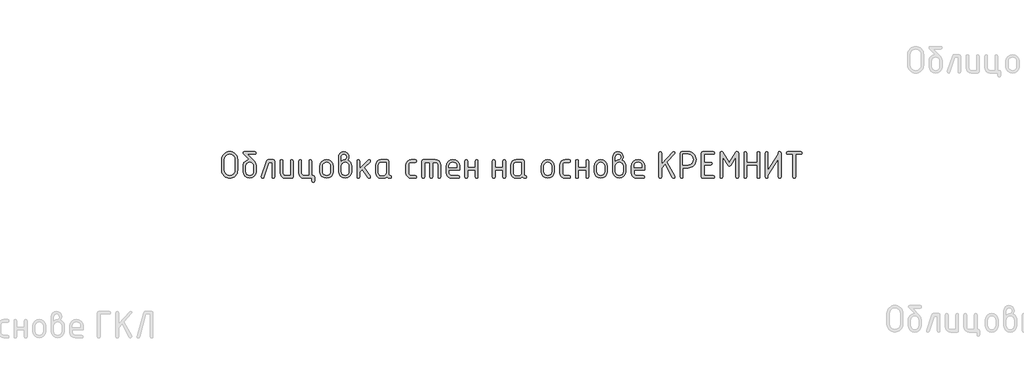
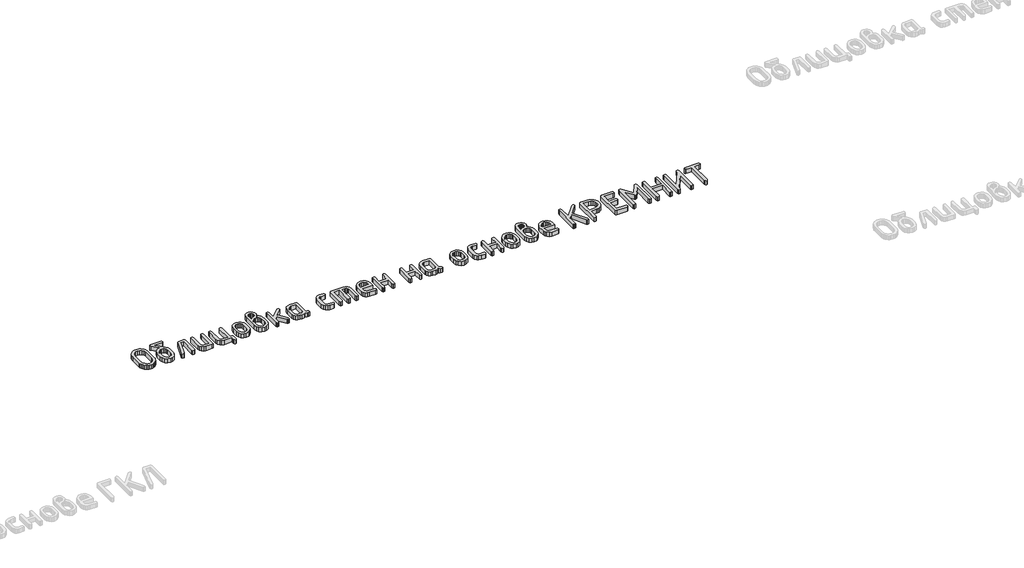
# One storey, part 9 of 33: 1 proxy.
"""IFC4 building model written with IfcOpenShell, lengths in millimetres."""

import ifcopenshell
import ifcopenshell.guid

model = None  # the IFC model being written
_history = None  # IfcOwnerHistory: only IFC2X3 demands one
_inside = {}  # id of a spatial element -> (the spatial element, [elements in it])
_under = {}  # id of a project, library or spatial element -> (it, [spatial elements below it])
_declared = {}  # id of a project -> (the project, [libraries it declares])
_typed = {}  # id of a type object -> (the type object, [elements of that type])
_made_of = {}  # id of a material, layer set ... -> (it, [elements and type objects made of it])


def new_model(schema):
    """Start an empty IFC model of exactly this schema.

    Asked for "IFC4X3", IfcOpenShell would pick the latest addendum, in which some entities
    have other attributes; the version numbers below select the first issue.
    IFC2X3 requires an IfcOwnerHistory on every rooted entity: one is made here for all.
    """
    global model, _history
    if schema == "IFC4X3":
        model = ifcopenshell.file(schema_version=(4, 3, 0, 0))
    else:
        model = ifcopenshell.file(schema=schema)
    _inside.clear()
    _under.clear()
    _declared.clear()
    _typed.clear()
    _made_of.clear()
    _history = None
    if model.schema == "IFC2X3":
        org = make("IfcOrganization", Name="unknown")
        user = make(
            "IfcPersonAndOrganization",
            ThePerson=make("IfcPerson", FamilyName="unknown"),
            TheOrganization=org,
        )
        app = make(
            "IfcApplication",
            ApplicationDeveloper=org,
            Version="unknown",
            ApplicationFullName="unknown",
            ApplicationIdentifier="unknown",
        )
        _history = make(
            "IfcOwnerHistory",
            OwningUser=user,
            OwningApplication=app,
            ChangeAction="ADDED",
            CreationDate=0,
        )
    return model


def make(cls, **values):
    """One entity of the class cls with the attributes given. An attribute that is None is left unset."""
    return model.create_entity(
        cls, **{name: value for name, value in values.items() if value is not None}
    )


def rooted(cls, **values):
    """An entity with a GlobalId (a new one), such as an element, a storey or a relation."""
    return make(cls, GlobalId=ifcopenshell.guid.new(), OwnerHistory=_history, **values)


def si_unit(unit_type, name, prefix=None):
    """IfcSIUnit, for example si_unit("LENGTHUNIT", "METRE", prefix="MILLI")."""
    return make("IfcSIUnit", UnitType=unit_type, Prefix=prefix, Name=name)


def assignment(units):
    """IfcUnitAssignment: the units of a project."""
    return None if units is None else make("IfcUnitAssignment", Units=units)


def point(xyz):
    """IfcCartesianPoint."""
    return None if xyz is None else make("IfcCartesianPoint", Coordinates=xyz)


def direction(xyz):
    """IfcDirection."""
    return None if xyz is None else make("IfcDirection", DirectionRatios=xyz)


def frame(location, z_axis=None, x_axis=None):
    """IfcAxis2Placement3D, a coordinate frame: its origin and axes. An axis left out is left unset."""
    return make(
        "IfcAxis2Placement3D",
        Location=point(location),
        Axis=direction(z_axis),
        RefDirection=direction(x_axis),
    )


def origin():
    """The frame at (0, 0, 0) with its axes left unset."""
    return frame((0.0, 0.0, 0.0))


def origin_with_axes():
    """The frame at (0, 0, 0) with the z axis (0, 0, 1) and the x axis (1, 0, 0) written out."""
    return frame((0.0, 0.0, 0.0), z_axis=(0.0, 0.0, 1.0), x_axis=(1.0, 0.0, 0.0))


def place(relative_to, where):
    """IfcLocalPlacement: puts the frame where relative to a parent placement (None: the world)."""
    return make(
        "IfcLocalPlacement", PlacementRelTo=relative_to, RelativePlacement=where
    )


def context(
    kind, dimensions, precision=None, world=None, true_north=None, identifier=None
):
    """IfcGeometricRepresentationContext, for example the 3D "Model" context."""
    return make(
        "IfcGeometricRepresentationContext",
        ContextIdentifier=identifier,
        ContextType=kind,
        CoordinateSpaceDimension=dimensions,
        Precision=precision,
        WorldCoordinateSystem=world,
        TrueNorth=true_north,
    )


def project(units=None, contexts=None):
    """IfcProject with its units and contexts."""
    return rooted(
        "IfcProject",
        Name="project",
        RepresentationContexts=contexts,
        UnitsInContext=assignment(units),
    )


def spatial(cls, under=None, at=None, **own):
    """A site, building, storey or space (cls), placed at a placement, below another one or the project."""
    s = rooted(cls, ObjectPlacement=at, **own)
    if under is not None:
        _under.setdefault(under.id(), (under, []))[1].append(s)
    return s


def polyline(points):
    """IfcPolyline through the points."""
    return make("IfcPolyline", Points=[point(p) for p in points])


def outline(outer, holes=None, kind="AREA"):
    """IfcArbitraryClosedProfileDef: a profile drawn as a closed curve; with holes, ...WithVoids."""
    if holes is None:
        return make("IfcArbitraryClosedProfileDef", ProfileType=kind, OuterCurve=outer)
    return make(
        "IfcArbitraryProfileDefWithVoids",
        ProfileType=kind,
        OuterCurve=outer,
        InnerCurves=holes,
    )


def extrude(swept, where, along, depth):
    """IfcExtrudedAreaSolid: the profile swept, set in the frame where, extruded along a direction by depth."""
    return make(
        "IfcExtrudedAreaSolid",
        SweptArea=swept,
        Position=where,
        ExtrudedDirection=direction(along),
        Depth=depth,
    )


def shape(context_of_items, identifier, shape_type, items):
    """IfcShapeRepresentation: the items that make up one representation, for example the "Body"."""
    return make(
        "IfcShapeRepresentation",
        ContextOfItems=context_of_items,
        RepresentationIdentifier=identifier,
        RepresentationType=shape_type,
        Items=items,
    )


def made_of(thing, what):
    """Note that an element or type object is made of a material, layer set ...; save() writes the relation."""
    if what is not None:
        _made_of.setdefault(what.id(), (what, []))[1].append(thing)
    return thing


def element(
    cls,
    number,
    at=None,
    inside=None,
    cuts=None,
    type_object=None,
    material=None,
    context=None,
    identifier="Body",
    shape_type=None,
    held_by="IfcProductDefinitionShape",
    body=None,
    shapes=None,
    **own,
):
    """One element of the class cls, such as IfcWall. Its Tag is "e" and its number.

    at: its placement. inside: the storey or other place that contains it. cuts: it is an
    opening in that element (IfcRelVoidsElement). A single representation is given by context,
    identifier, shape_type and body (its items); several are given by shapes. held_by: the class
    of the entity that holds the representations. save() writes the other relations.
    """
    e = rooted(cls, Tag="e%d" % number, ObjectPlacement=at, **own)
    if body is not None:
        shapes = [shape(context, identifier, shape_type, body)]
    if shapes is not None:
        e.Representation = make(held_by, Representations=shapes)
    if inside is not None:
        _inside.setdefault(inside.id(), (inside, []))[1].append(e)
    if cuts is not None:
        rooted(
            "IfcRelVoidsElement", RelatingBuildingElement=cuts, RelatedOpeningElement=e
        )
    if type_object is not None:
        _typed.setdefault(type_object.id(), (type_object, []))[1].append(e)
    return made_of(e, material)


def aggregate(whole, parts):
    """IfcRelAggregates: a whole, such as a stair, and the parts it consists of."""
    return rooted("IfcRelAggregates", RelatingObject=whole, RelatedObjects=parts)


def save(model, path):
    """Write the relations noted so far, then the file.

    IfcRelAggregates (storeys below a building ...), IfcRelContainedInSpatialStructure (elements
    in a storey), IfcRelDefinesByType, IfcRelAssociatesMaterial and IfcRelDeclares: one each for
    every whole, place, type object, material and project.
    """
    for whole, parts in _under.values():
        aggregate(whole, parts)
    for where, things in _inside.values():
        rooted(
            "IfcRelContainedInSpatialStructure",
            RelatedElements=things,
            RelatingStructure=where,
        )
    for kind, things in _typed.values():
        rooted("IfcRelDefinesByType", RelatedObjects=things, RelatingType=kind)
    for what, things in _made_of.values():
        rooted("IfcRelAssociatesMaterial", RelatedObjects=things, RelatingMaterial=what)
    for by, libraries in _declared.values():
        rooted("IfcRelDeclares", RelatingContext=by, RelatedDefinitions=libraries)
    model.write(path)


model = new_model("IFC4")

# Units and contexts
model_context = context("Model", 3, world=origin())
ifc_project = project(units=[si_unit("LENGTHUNIT", "METRE", prefix="MILLI")], contexts=[model_context])

# Site, building, storey
site = spatial("IfcSite", under=ifc_project)
building = spatial("IfcBuilding", under=site)
storey = spatial("IfcBuildingStorey", under=building, Elevation=0.0)

# Proxy
placement = place(None, origin())
element("IfcBuildingElementProxy", 1, Name="Generic Models", at=placement, inside=storey, context=model_context, shape_type="SweptSolid", body=[
    extrude(outline(polyline([(-175.6027331, -10815.9222253), (-177.2571289, -10834.1558868), (-182.2203164, -10851.0075224), (-190.4922957, -10866.4771323), (-202.0730665, -10880.5647165), (-215.9942023, -10892.2867163), (-231.2872761, -10900.6595733), (-247.9522878, -10905.6832875), (-265.9892376, -10907.3578589), (-284.0261874, -10905.6832875), (-300.6911992, -10900.6595733), (-315.9842729, -10892.2867163), (-329.9054087, -10880.5647165), (-341.4861796, -10866.4771323), (-349.7581588, -10851.0075224), (-354.7213463, -10834.1558868), (-356.3757422, -10815.9222253), (-356.3757422, -10694.0618486), (-354.7213463, -10675.8281871), (-349.7581588, -10658.9765514), (-341.4861796, -10643.5069415), (-329.9054087, -10629.4193574), (-315.9842729, -10617.6973576), (-300.6911992, -10609.3245006), (-284.0261874, -10604.3007864), (-265.9892376, -10602.626215), (-247.853932, -10604.2932206), (-231.1359594, -10609.2942373), (-215.8353198, -10617.6292651), (-201.9520132, -10629.2983041), (-190.4242031, -10643.348059), (-182.1900531, -10658.8252347), (-177.2495631, -10675.7298313), (-175.6027331, -10694.0618486), (-175.6027331, -10815.9222253)]), holes=[polyline([(-206.5923918, -10815.6801186), (-206.5923918, -10694.3039553), (-210.8998736, -10670.7792535), (-223.8223192, -10651.2089612), (-242.9790125, -10638.0141456), (-265.9892376, -10633.6158737), (-288.9994627, -10638.0141456), (-308.156156, -10651.2089612), (-321.0786016, -10670.7792535), (-325.3860835, -10694.3039553), (-325.3860835, -10815.6801186), (-321.0786016, -10839.2048204), (-308.156156, -10858.7751127), (-288.9994627, -10871.9699283), (-265.9892376, -10876.3682002), (-242.9790125, -10871.9699283), (-223.8223192, -10858.7751127), (-210.8998736, -10839.2048204), (-206.5923918, -10815.6801186)])]), origin_with_axes(), (0.0, 0.0, 1.0), 50.0),
    extrude(outline(polyline([(36.1599347, -10770.4868663), (36.1599347, -10831.3363524), (30.6822704, -10860.5606497), (14.2492776, -10885.1243928), (-9.9513055, -10901.7994924), (-38.7317405, -10907.3578589), (-67.5121755, -10901.7894046), (-91.7127586, -10885.0840417), (-108.1457514, -10860.4698596), (-113.6234157, -10831.1749479), (-113.6234157, -10770.2447596), (-111.0308563, -10748.813272), (-103.2531783, -10730.4383816), (-90.2903816, -10715.1200884), (-72.1424663, -10702.8583924), (-56.4257058, -10696.2609845), (-41.8791277, -10694.0618486), (-108.4584726, -10627.0789926), (-113.6234157, -10618.1210443), (-109.8909373, -10606.4999223), (-98.693502, -10602.626215), (21.230021, -10602.626215), (32.4274563, -10606.4999223), (36.1599347, -10618.1210443), (32.4274563, -10629.7421664), (21.230021, -10633.6158737), (-63.7494337, -10633.6158737), (11.6264549, -10713.9953009), (30.0265648, -10741.2726568), (36.1599347, -10770.4868663)]), holes=[polyline([(5.170276, -10830.852139), (5.170276, -10770.2447596), (1.9522743, -10752.8130766), (-7.7017307, -10738.1252696), (-21.8952365, -10728.1383678), (-38.7317405, -10724.8094006), (-55.5682445, -10728.1383678), (-69.7617503, -10738.1252696), (-79.4157553, -10752.8130766), (-82.633757, -10770.2447596), (-82.633757, -10830.852139), (-79.4460186, -10848.4452264), (-69.8828037, -10863.1330334), (-55.7195612, -10873.0594085), (-38.7317405, -10876.3682002), (-21.8952365, -10873.0392329), (-7.7017307, -10863.0523312), (1.9522743, -10848.3443487), (5.170276, -10830.852139)])]), origin_with_axes(), (0.0, 0.0, 1.0), 50.0),
    extrude(outline(polyline([(171.4975848, -10695.5951911), (232.4277731, -10695.5951911), (244.0488951, -10699.3680206), (247.9226025, -10710.6865093), (247.9226025, -10892.2665407), (244.0488951, -10903.5850293), (232.4277731, -10907.3578589), (220.8066511, -10903.5850293), (216.9329438, -10892.2665407), (216.9329438, -10726.5848498), (182.3116845, -10726.5848498), (125.1745012, -10897.1086749), (119.8683292, -10904.7955629), (110.8902054, -10907.3578589), (99.5111901, -10903.5245026), (95.718185, -10892.024434), (96.4445051, -10887.4244065), (156.3255644, -10707.9426332), (162.2168276, -10698.6820516), (171.4975848, -10695.5951911)])), origin_with_axes(), (0.0, 0.0, 1.0), 50.0),
    extrude(outline(polyline([(459.6852703, -10710.6865093), (459.6852703, -10892.2665407), (455.9326163, -10903.5850293), (444.6746543, -10907.3578589), (369.7829791, -10907.3578589), (346.5609107, -10902.9797626), (327.2529007, -10889.8454736), (314.2396651, -10870.335708), (309.9019199, -10846.8311817), (309.9019199, -10710.6865093), (313.7756272, -10699.3680206), (325.3967492, -10695.5951911), (337.0178712, -10699.3680206), (340.8915786, -10710.6865093), (340.8915786, -10846.2662661), (343.0503634, -10857.6957203), (349.5267178, -10867.4506031), (359.0092306, -10874.1388009), (370.1864903, -10876.3682002), (428.6956116, -10876.3682002), (428.6956116, -10710.6865093), (432.5693189, -10699.3680206), (444.1904409, -10695.5951911), (455.8115629, -10699.3680206), (459.6852703, -10710.6865093)])), origin_with_axes(), (0.0, 0.0, 1.0), 50.0),
    extrude(outline(polyline([(686.9427674, -10876.3682002), (698.5638894, -10880.2419075), (702.4375967, -10891.8630295), (702.4375967, -10938.3475176), (698.5638894, -10949.9686396), (686.9427674, -10953.8423469), (675.3216454, -10949.9686396), (671.447938, -10938.3475176), (671.447938, -10907.3578589), (581.5456469, -10907.3578589), (558.3235784, -10902.9494992), (539.0155684, -10889.7244203), (526.0023328, -10870.1843913), (521.6645877, -10846.8311817), (521.6645877, -10710.6865093), (525.538295, -10699.3680206), (537.159417, -10695.5951911), (548.780539, -10699.3680206), (552.6542464, -10710.6865093), (552.6542464, -10846.2662661), (554.8130312, -10857.6957203), (561.2893856, -10867.4506031), (570.7718984, -10874.1388009), (581.9491581, -10876.3682002), (640.4582793, -10876.3682002), (640.4582793, -10710.6865093), (644.3319867, -10699.3680206), (655.9531087, -10695.5951911), (667.5742307, -10699.3680206), (671.447938, -10710.6865093), (671.447938, -10876.3682002), (686.9427674, -10876.3682002)])), origin_with_axes(), (0.0, 0.0, 1.0), 50.0),
    extrude(outline(polyline([(764.4169141, -10831.7398636), (764.4169141, -10771.2131864), (769.8945784, -10742.1402058), (786.3275713, -10717.7076038), (810.5281543, -10701.1232943), (839.3085893, -10695.5951911), (868.3916577, -10701.0627676), (892.5317141, -10717.4654971), (908.7831269, -10741.8375724), (914.2002645, -10771.2131864), (914.2002645, -10831.7398636), (908.7226002, -10860.8128441), (892.2896074, -10885.2454462), (868.0890243, -10901.8297557), (839.3085893, -10907.3578589), (810.5281543, -10901.8297557), (786.3275713, -10885.2454462), (769.8945784, -10860.8128441), (764.4169141, -10831.7398636)]), holes=[polyline([(883.2106058, -10830.852139), (883.2106058, -10770.2447596), (879.9926041, -10752.8130766), (870.3385991, -10738.1252696), (856.1450933, -10728.1383678), (839.3085893, -10724.8094006), (822.4720853, -10728.1383678), (808.2785795, -10738.1252696), (798.6245745, -10752.8130766), (795.4065728, -10770.2447596), (795.4065728, -10830.852139), (798.5943112, -10848.4452264), (808.1575261, -10863.1330334), (822.3207686, -10873.0594085), (839.3085893, -10876.3682002), (856.1450933, -10873.0392329), (870.3385991, -10863.0523312), (879.9926041, -10848.3443487), (883.2106058, -10830.852139)])]), origin_with_axes(), (0.0, 0.0, 1.0), 50.0),
    extrude(outline(polyline([(1081.0117867, -10700.2759208), (1099.5430377, -10711.6650239), (1113.8172457, -10728.2392456), (1122.9265106, -10748.3240147), (1125.9629323, -10770.2447596), (1125.9629323, -10831.1749479), (1120.485268, -10860.6211763), (1104.0522752, -10885.205095), (1079.8516921, -10901.8196679), (1051.0712571, -10907.3578589), (1022.1395054, -10901.7894046), (997.9691857, -10885.0840417), (981.6269828, -10860.4698596), (976.1795819, -10831.1749479), (976.1795819, -10663.5564033), (980.5072393, -10639.9509992), (993.4902116, -10620.3000047), (1012.6670804, -10607.0446624), (1035.5764277, -10602.626215), (1058.5866528, -10607.0749258), (1077.7433462, -10620.4210581), (1090.6657917, -10640.1023159), (1094.9732736, -10663.5564033), (1091.4829019, -10684.2767025), (1081.0117867, -10700.2759208)]), holes=[polyline([(1094.9732736, -10830.852139), (1094.9732736, -10770.2447596), (1091.7855353, -10752.8130766), (1082.2223203, -10738.1252696), (1068.0590778, -10728.1383678), (1051.0712571, -10724.8094006), (1034.0834364, -10728.1383678), (1019.9201939, -10738.1252696), (1010.3569789, -10752.8130766), (1007.1692406, -10770.2447596), (1007.1692406, -10830.852139), (1010.3569789, -10848.4452264), (1019.9201939, -10863.1330334), (1034.0834364, -10873.0594085), (1051.0712571, -10876.3682002), (1068.0590778, -10873.0392329), (1082.2223203, -10863.0523312), (1091.7855353, -10848.3443487), (1094.9732736, -10830.852139)]), polyline([(1007.1692406, -10710.3637003), (1025.6500527, -10699.0452117), (1042.5168201, -10695.2723821), (1051.5958216, -10692.6293839), (1059.9485031, -10684.7003892), (1065.8195908, -10674.8345408), (1067.77662, -10664.9283413), (1065.5976596, -10653.1256393), (1059.0607785, -10643.3808443), (1049.2958079, -10636.8439631), (1037.4325792, -10634.6650028), (1025.7811938, -10636.8742265), (1016.0061355, -10643.5018976), (1009.3784643, -10653.276956), (1007.1692406, -10664.9283413), (1007.1692406, -10710.3637003)])]), origin_with_axes(), (0.0, 0.0, 1.0), 50.0),
    extrude(outline(polyline([(1218.9319084, -10795.0203461), (1314.1605471, -10699.9531118), (1324.9746467, -10695.5951911), (1336.353662, -10699.3680206), (1340.1466671, -10710.6865093), (1335.5466397, -10721.2585022), (1268.9672948, -10787.7571448), (1337.1606844, -10883.5506992), (1340.1466671, -10892.4279452), (1336.353662, -10903.6253804), (1324.9746467, -10907.3578589), (1317.8324988, -10905.7438141), (1312.3850979, -10900.90168), (1247.177691, -10809.3046419), (1218.9319084, -10837.5504246), (1218.9319084, -10892.1858385), (1215.058201, -10903.5648538), (1203.437079, -10907.3578589), (1191.815957, -10903.5850293), (1187.9422497, -10892.2665407), (1187.9422497, -10710.6865093), (1191.815957, -10699.3680206), (1203.437079, -10695.5951911), (1215.058201, -10699.3680206), (1218.9319084, -10710.6865093), (1218.9319084, -10795.0203461)])), origin_with_axes(), (0.0, 0.0, 1.0), 50.0),
    extrude(outline(polyline([(1579.7516064, -10892.2665407), (1575.9787769, -10903.5850293), (1564.6602882, -10907.3578589), (1545.5136827, -10903.3429226), (1530.2004334, -10891.2981139), (1511.780148, -10903.3429226), (1489.6072086, -10907.3578589), (1459.5859767, -10907.3578589), (1436.3639082, -10902.9797626), (1417.0558982, -10889.8454736), (1404.0426627, -10870.335708), (1399.7049175, -10846.8311817), (1399.7049175, -10756.1218682), (1404.0426627, -10732.6173419), (1417.0558982, -10713.1075763), (1436.3639082, -10699.9732874), (1459.5859767, -10695.5951911), (1534.4776519, -10695.5951911), (1545.7356139, -10699.3680206), (1549.4882678, -10710.6865093), (1549.4882678, -10862.0032021), (1553.2711852, -10873.3216908), (1564.6199371, -10877.0945203), (1575.9686891, -10880.8875254), (1579.7516064, -10892.2665407)]), holes=[polyline([(1518.4986091, -10726.5848498), (1459.9894879, -10726.5848498), (1448.7113504, -10728.7738979), (1439.2490132, -10735.3410424), (1432.8331854, -10745.015223), (1430.6945762, -10756.5253794), (1430.6945762, -10846.4276705), (1432.853361, -10857.8369492), (1439.3297154, -10867.5313053), (1448.8122282, -10874.1589765), (1459.9894879, -10876.3682002), (1489.2036974, -10876.3682002), (1500.4818349, -10874.179152), (1509.9441721, -10867.6120075), (1516.3599999, -10857.937827), (1518.4986091, -10846.4276705), (1518.4986091, -10726.5848498)])]), origin_with_axes(), (0.0, 0.0, 1.0), 50.0),
    extrude(outline(polyline([(1776.745765, -10756.5253794), (1776.745765, -10846.4276705), (1778.985252, -10857.8369492), (1785.7037132, -10867.5313053), (1795.5090349, -10874.1589765), (1807.0091035, -10876.3682002), (1852.5251647, -10876.3682002), (1863.8436534, -10880.2419075), (1867.6164829, -10891.8630295), (1863.8436534, -10903.4841515), (1852.5251647, -10907.3578589), (1807.0091035, -10907.3578589), (1783.4642261, -10902.9797626), (1763.6720027, -10889.8454736), (1750.2350804, -10870.335708), (1745.7561063, -10846.8311817), (1745.7561063, -10756.1218682), (1750.2350804, -10732.6173419), (1763.6720027, -10713.1075763), (1783.4642261, -10699.9732874), (1807.0091035, -10695.5951911), (1852.5251647, -10695.5951911), (1863.8436534, -10699.4688984), (1867.6164829, -10711.0900204), (1863.8436534, -10722.7111425), (1852.5251647, -10726.5848498), (1807.0091035, -10726.5848498), (1795.3577182, -10728.7738979), (1785.5826598, -10735.3410424), (1778.9549887, -10745.015223), (1776.745765, -10756.5253794)])), origin_with_axes(), (0.0, 0.0, 1.0), 50.0),
    extrude(outline(polyline([(1942.0239447, -10695.5951911), (2081.4774088, -10695.5951911), (2105.3652707, -10700.0035507), (2125.3794253, -10713.2286297), (2138.937401, -10732.7686586), (2143.4567262, -10756.1218682), (2143.4567262, -10892.2665407), (2139.5830189, -10903.5850293), (2127.9618969, -10907.3578589), (2116.3407749, -10903.5850293), (2112.4670675, -10892.2665407), (2112.4670675, -10756.6867839), (2110.2376683, -10744.9546963), (2103.5494704, -10735.2603402), (2093.5726565, -10728.7537224), (2081.4774088, -10726.5848498), (2050.4877501, -10726.5848498), (2050.4877501, -10892.2665407), (2046.6140428, -10903.5850293), (2034.9929208, -10907.3578589), (2023.3717988, -10903.5850293), (2019.4980914, -10892.2665407), (2019.4980914, -10726.5848498), (1957.518774, -10726.5848498), (1957.518774, -10892.2665407), (1953.6450667, -10903.5850293), (1942.0239447, -10907.3578589), (1930.4028227, -10903.5850293), (1926.5291153, -10892.2665407), (1926.5291153, -10710.6865093), (1930.4028227, -10699.3680206), (1942.0239447, -10695.5951911)])), origin_with_axes(), (0.0, 0.0, 1.0), 50.0),
    extrude(outline(polyline([(2236.4257023, -10814.3888828), (2236.4257023, -10845.3785415), (2238.6651894, -10857.1711557), (2245.3836505, -10867.2084964), (2255.1889722, -10874.0782742), (2266.6890409, -10876.3682002), (2342.4684407, -10876.3682002), (2353.847456, -10880.2419075), (2357.6404611, -10891.8630295), (2353.847456, -10903.4841515), (2342.4684407, -10907.3578589), (2266.6890409, -10907.3578589), (2243.1441635, -10902.9797626), (2223.3519401, -10889.8454736), (2209.9150177, -10870.335708), (2205.4360436, -10846.8311817), (2205.4360436, -10771.2131864), (2211.0549368, -10742.1402058), (2227.9116164, -10717.7076038), (2252.636764, -10701.1232943), (2281.8610613, -10695.5951911), (2311.3072897, -10700.9618898), (2335.729804, -10717.0619859), (2352.1627968, -10740.990199), (2357.6404611, -10769.8412484), (2357.6404611, -10814.3888828), (2236.4257023, -10814.3888828)]), holes=[polyline([(2281.8610613, -10722.7918447), (2264.4293783, -10726.1208119), (2249.7415713, -10736.1077137), (2239.7546696, -10750.7955207), (2236.4257023, -10768.2272037), (2236.4257023, -10783.3992241), (2327.2964203, -10783.3992241), (2327.2964203, -10768.2272037), (2323.967453, -10750.7955207), (2313.9805513, -10736.1077137), (2299.2927443, -10726.1208119), (2281.8610613, -10722.7918447)])]), origin_with_axes(), (0.0, 0.0, 1.0), 50.0),
    extrude(outline(polyline([(2448.1883701, -10814.3888828), (2448.1883701, -10891.8630295), (2444.3146628, -10903.4841515), (2432.6935408, -10907.3578589), (2421.0724187, -10903.5850293), (2417.1987114, -10892.2665407), (2417.1987114, -10710.6865093), (2421.0724187, -10699.3680206), (2432.6935408, -10695.5951911), (2444.3146628, -10699.2469673), (2448.1883701, -10710.2022958), (2448.1883701, -10783.3992241), (2535.9924031, -10783.3992241), (2535.9924031, -10710.2022958), (2539.8661104, -10699.2469673), (2551.4872324, -10695.5951911), (2563.1083544, -10699.3680206), (2566.9820618, -10710.6865093), (2566.9820618, -10892.2665407), (2563.1083544, -10903.5850293), (2551.4872324, -10907.3578589), (2539.8661104, -10903.4841515), (2535.9924031, -10891.8630295), (2535.9924031, -10814.3888828), (2448.1883701, -10814.3888828)])), origin_with_axes(), (0.0, 0.0, 1.0), 50.0),
    extrude(outline(polyline([(2763.2499002, -10814.3888828), (2763.2499002, -10891.8630295), (2759.3761929, -10903.4841515), (2747.7550709, -10907.3578589), (2736.1339489, -10903.5850293), (2732.2602415, -10892.2665407), (2732.2602415, -10710.6865093), (2736.1339489, -10699.3680206), (2747.7550709, -10695.5951911), (2759.3761929, -10699.2469673), (2763.2499002, -10710.2022958), (2763.2499002, -10783.3992241), (2851.0539332, -10783.3992241), (2851.0539332, -10710.2022958), (2854.9276405, -10699.2469673), (2866.5487625, -10695.5951911), (2878.1698846, -10699.3680206), (2882.0435919, -10710.6865093), (2882.0435919, -10892.2665407), (2878.1698846, -10903.5850293), (2866.5487625, -10907.3578589), (2854.9276405, -10903.4841515), (2851.0539332, -10891.8630295), (2851.0539332, -10814.3888828), (2763.2499002, -10814.3888828)])), origin_with_axes(), (0.0, 0.0, 1.0), 50.0),
    extrude(outline(polyline([(3124.0695982, -10892.2665407), (3120.2967687, -10903.5850293), (3108.9782801, -10907.3578589), (3089.8316745, -10903.3429226), (3074.5184252, -10891.2981139), (3056.0981398, -10903.3429226), (3033.9252004, -10907.3578589), (3003.9039685, -10907.3578589), (2980.6819001, -10902.9797626), (2961.3738901, -10889.8454736), (2948.3606545, -10870.335708), (2944.0229093, -10846.8311817), (2944.0229093, -10756.1218682), (2948.3606545, -10732.6173419), (2961.3738901, -10713.1075763), (2980.6819001, -10699.9732874), (3003.9039685, -10695.5951911), (3078.7956437, -10695.5951911), (3090.0536057, -10699.3680206), (3093.8062597, -10710.6865093), (3093.8062597, -10862.0032021), (3097.589177, -10873.3216908), (3108.937929, -10877.0945203), (3120.2866809, -10880.8875254), (3124.0695982, -10892.2665407)]), holes=[polyline([(3062.816601, -10726.5848498), (3004.3074797, -10726.5848498), (2993.0293422, -10728.7738979), (2983.567005, -10735.3410424), (2977.1511772, -10745.015223), (2975.012568, -10756.5253794), (2975.012568, -10846.4276705), (2977.1713528, -10857.8369492), (2983.6477073, -10867.5313053), (2993.13022, -10874.1589765), (3004.3074797, -10876.3682002), (3033.5216892, -10876.3682002), (3044.7998267, -10874.179152), (3054.2621639, -10867.6120075), (3060.6779917, -10857.937827), (3062.816601, -10846.4276705), (3062.816601, -10726.5848498)])]), origin_with_axes(), (0.0, 0.0, 1.0), 50.0),
    extrude(outline(polyline([(3290.0740981, -10831.7398636), (3290.0740981, -10771.2131864), (3295.5517624, -10742.1402058), (3311.9847552, -10717.7076038), (3336.1853383, -10701.1232943), (3364.9657733, -10695.5951911), (3394.0488417, -10701.0627676), (3418.1888981, -10717.4654971), (3434.4403109, -10741.8375724), (3439.8574485, -10771.2131864), (3439.8574485, -10831.7398636), (3434.3797842, -10860.8128441), (3417.9467913, -10885.2454462), (3393.7462083, -10901.8297557), (3364.9657733, -10907.3578589), (3336.1853383, -10901.8297557), (3311.9847552, -10885.2454462), (3295.5517624, -10860.8128441), (3290.0740981, -10831.7398636)]), holes=[polyline([(3408.8677898, -10830.852139), (3408.8677898, -10770.2447596), (3405.6497881, -10752.8130766), (3395.9957831, -10738.1252696), (3381.8022773, -10728.1383678), (3364.9657733, -10724.8094006), (3348.1292693, -10728.1383678), (3333.9357635, -10738.1252696), (3324.2817585, -10752.8130766), (3321.0637568, -10770.2447596), (3321.0637568, -10830.852139), (3324.2514951, -10848.4452264), (3333.8147101, -10863.1330334), (3347.9779526, -10873.0594085), (3364.9657733, -10876.3682002), (3381.8022773, -10873.0392329), (3395.9957831, -10863.0523312), (3405.6497881, -10848.3443487), (3408.8677898, -10830.852139)])]), origin_with_axes(), (0.0, 0.0, 1.0), 50.0),
    extrude(outline(polyline([(3532.8264246, -10756.5253794), (3532.8264246, -10846.4276705), (3535.0659116, -10857.8369492), (3541.7843728, -10867.5313053), (3551.5896945, -10874.1589765), (3563.0897631, -10876.3682002), (3608.6058244, -10876.3682002), (3619.924313, -10880.2419075), (3623.6971425, -10891.8630295), (3619.924313, -10903.4841515), (3608.6058244, -10907.3578589), (3563.0897631, -10907.3578589), (3539.5448857, -10902.9797626), (3519.7526623, -10889.8454736), (3506.31574, -10870.335708), (3501.8367659, -10846.8311817), (3501.8367659, -10756.1218682), (3506.31574, -10732.6173419), (3519.7526623, -10713.1075763), (3539.5448857, -10699.9732874), (3563.0897631, -10695.5951911), (3608.6058244, -10695.5951911), (3619.924313, -10699.4688984), (3623.6971425, -10711.0900204), (3619.924313, -10722.7111425), (3608.6058244, -10726.5848498), (3563.0897631, -10726.5848498), (3551.4383778, -10728.7738979), (3541.6633194, -10735.3410424), (3535.0356483, -10745.015223), (3532.8264246, -10756.5253794)])), origin_with_axes(), (0.0, 0.0, 1.0), 50.0),
    extrude(outline(polyline([(3713.5994336, -10814.3888828), (3713.5994336, -10891.8630295), (3709.7257263, -10903.4841515), (3698.1046043, -10907.3578589), (3686.4834823, -10903.5850293), (3682.609775, -10892.2665407), (3682.609775, -10710.6865093), (3686.4834823, -10699.3680206), (3698.1046043, -10695.5951911), (3709.7257263, -10699.2469673), (3713.5994336, -10710.2022958), (3713.5994336, -10783.3992241), (3801.4034666, -10783.3992241), (3801.4034666, -10710.2022958), (3805.277174, -10699.2469673), (3816.898296, -10695.5951911), (3828.519418, -10699.3680206), (3832.3931253, -10710.6865093), (3832.3931253, -10892.2665407), (3828.519418, -10903.5850293), (3816.898296, -10907.3578589), (3805.277174, -10903.4841515), (3801.4034666, -10891.8630295), (3801.4034666, -10814.3888828), (3713.5994336, -10814.3888828)])), origin_with_axes(), (0.0, 0.0, 1.0), 50.0),
    extrude(outline(polyline([(3894.3724427, -10831.7398636), (3894.3724427, -10771.2131864), (3899.850107, -10742.1402058), (3916.2830999, -10717.7076038), (3940.4836829, -10701.1232943), (3969.2641179, -10695.5951911), (3998.3471863, -10701.0627676), (4022.4872427, -10717.4654971), (4038.7386555, -10741.8375724), (4044.1557931, -10771.2131864), (4044.1557931, -10831.7398636), (4038.6781288, -10860.8128441), (4022.245136, -10885.2454462), (3998.0445529, -10901.8297557), (3969.2641179, -10907.3578589), (3940.4836829, -10901.8297557), (3916.2830999, -10885.2454462), (3899.850107, -10860.8128441), (3894.3724427, -10831.7398636)]), holes=[polyline([(4013.1661344, -10830.852139), (4013.1661344, -10770.2447596), (4009.9481327, -10752.8130766), (4000.2941277, -10738.1252696), (3986.1006219, -10728.1383678), (3969.2641179, -10724.8094006), (3952.4276139, -10728.1383678), (3938.2341081, -10738.1252696), (3928.5801031, -10752.8130766), (3925.3621014, -10770.2447596), (3925.3621014, -10830.852139), (3928.5498398, -10848.4452264), (3938.1130547, -10863.1330334), (3952.2762972, -10873.0594085), (3969.2641179, -10876.3682002), (3986.1006219, -10873.0392329), (4000.2941277, -10863.0523312), (4009.9481327, -10848.3443487), (4013.1661344, -10830.852139)])]), origin_with_axes(), (0.0, 0.0, 1.0), 50.0),
    extrude(outline(polyline([(4210.9673153, -10700.2759208), (4229.4985663, -10711.6650239), (4243.7727743, -10728.2392456), (4252.8820392, -10748.3240147), (4255.9184609, -10770.2447596), (4255.9184609, -10831.1749479), (4250.4407966, -10860.6211763), (4234.0078038, -10885.205095), (4209.8072207, -10901.8196679), (4181.0267857, -10907.3578589), (4152.095034, -10901.7894046), (4127.9247143, -10885.0840417), (4111.5825114, -10860.4698596), (4106.1351105, -10831.1749479), (4106.1351105, -10663.5564033), (4110.4627679, -10639.9509992), (4123.4457402, -10620.3000047), (4142.622609, -10607.0446624), (4165.5319563, -10602.626215), (4188.5421814, -10607.0749258), (4207.6988748, -10620.4210581), (4220.6213203, -10640.1023159), (4224.9288022, -10663.5564033), (4221.4384305, -10684.2767025), (4210.9673153, -10700.2759208)]), holes=[polyline([(4137.1247692, -10710.3637003), (4155.6055813, -10699.0452117), (4172.4723487, -10695.2723821), (4181.5513502, -10692.6293839), (4189.9040317, -10684.7003892), (4195.7751194, -10674.8345408), (4197.7321486, -10664.9283413), (4195.5531882, -10653.1256393), (4189.0163071, -10643.3808443), (4179.2513365, -10636.8439631), (4167.3881078, -10634.6650028), (4155.7367224, -10636.8742265), (4145.9616641, -10643.5018976), (4139.3339929, -10653.276956), (4137.1247692, -10664.9283413), (4137.1247692, -10710.3637003)]), polyline([(4224.9288022, -10830.852139), (4224.9288022, -10770.2447596), (4221.7410639, -10752.8130766), (4212.1778489, -10738.1252696), (4198.0146064, -10728.1383678), (4181.0267857, -10724.8094006), (4164.038965, -10728.1383678), (4149.8757225, -10738.1252696), (4140.3125075, -10752.8130766), (4137.1247692, -10770.2447596), (4137.1247692, -10830.852139), (4140.3125075, -10848.4452264), (4149.8757225, -10863.1330334), (4164.038965, -10873.0594085), (4181.0267857, -10876.3682002), (4198.0146064, -10873.0392329), (4212.1778489, -10863.0523312), (4221.7410639, -10848.3443487), (4224.9288022, -10830.852139)])]), origin_with_axes(), (0.0, 0.0, 1.0), 50.0),
    extrude(outline(polyline([(4348.887437, -10814.3888828), (4348.887437, -10845.3785415), (4351.126924, -10857.1711557), (4357.8453852, -10867.2084964), (4367.6507069, -10874.0782742), (4379.1507756, -10876.3682002), (4454.9301753, -10876.3682002), (4466.3091906, -10880.2419075), (4470.1021957, -10891.8630295), (4466.3091906, -10903.4841515), (4454.9301753, -10907.3578589), (4379.1507756, -10907.3578589), (4355.6058981, -10902.9797626), (4335.8136747, -10889.8454736), (4322.3767524, -10870.335708), (4317.8977783, -10846.8311817), (4317.8977783, -10771.2131864), (4323.5166715, -10742.1402058), (4340.3733511, -10717.7076038), (4365.0984987, -10701.1232943), (4394.322796, -10695.5951911), (4423.7690244, -10700.9618898), (4448.1915386, -10717.0619859), (4464.6245315, -10740.990199), (4470.1021957, -10769.8412484), (4470.1021957, -10814.3888828), (4348.887437, -10814.3888828)]), holes=[polyline([(4394.322796, -10722.7918447), (4376.8911129, -10726.1208119), (4362.203306, -10736.1077137), (4352.2164042, -10750.7955207), (4348.887437, -10768.2272037), (4348.887437, -10783.3992241), (4439.7581549, -10783.3992241), (4439.7581549, -10768.2272037), (4436.4291877, -10750.7955207), (4426.442286, -10736.1077137), (4411.754479, -10726.1208119), (4394.322796, -10722.7918447)])]), origin_with_axes(), (0.0, 0.0, 1.0), 50.0),
    extrude(outline(polyline([(4703.1702539, -10748.0516446), (4663.9489671, -10791.4694477), (4663.9489671, -10892.1051362), (4660.0752597, -10903.5446782), (4648.4541377, -10907.3578589), (4636.8330157, -10903.5446782), (4632.9593084, -10892.1051362), (4632.9593084, -10617.8789376), (4636.8330157, -10606.4393957), (4648.4541377, -10602.626215), (4660.0752597, -10606.4393957), (4663.9489671, -10617.8789376), (4663.9489671, -10745.9533865), (4788.7953265, -10607.7104559), (4800.3357463, -10602.626215), (4811.6542349, -10606.4393957), (4815.4270644, -10617.8789376), (4811.3112504, -10628.2895261), (4724.7984532, -10724.0830805), (4813.4095085, -10884.519126), (4815.4270644, -10892.1051362), (4810.7463347, -10902.6367781), (4800.3357463, -10907.3578589), (4792.3462249, -10905.340303), (4786.7777706, -10899.2876352), (4703.1702539, -10748.0516446)])), origin_with_axes(), (0.0, 0.0, 1.0), 50.0),
    extrude(outline(polyline([(4890.802953, -10602.626215), (4966.0981394, -10602.626215), (4984.233445, -10604.320962), (5000.9514177, -10609.4052028), (5016.2520573, -10617.8789376), (5030.1353638, -10629.7421664), (5041.6631739, -10644.0264622), (5049.8973239, -10659.7633982), (5054.8378139, -10676.9529745), (5056.4846439, -10695.5951911), (5054.9235601, -10715.2865367), (5050.2403084, -10733.0410287), (5042.434889, -10748.858667), (5031.5073018, -10762.7394516), (5018.0829892, -10774.0377647), (5002.7873935, -10782.1079883), (4985.6205147, -10786.9501225), (4966.5823528, -10788.5641672), (4906.7012936, -10788.5641672), (4906.7012936, -10892.5086474), (4902.8275862, -10903.645556), (4891.2064642, -10907.3578589), (4879.5853422, -10903.5446782), (4875.7116349, -10892.1051362), (4875.7116349, -10617.8789376), (4879.4844644, -10606.4393957), (4890.802953, -10602.626215)]), holes=[polyline([(4906.7012936, -10633.6158737), (4906.7012936, -10757.5745085), (4966.0981394, -10757.5745085), (4989.1083645, -10753.0854466), (5008.2650578, -10739.6182609), (5021.1875034, -10719.6343697), (5025.4949852, -10695.5951911), (5021.1875034, -10671.5560125), (5008.2650578, -10651.5721212), (4989.1083645, -10638.1049356), (4966.0981394, -10633.6158737), (4906.7012936, -10633.6158737)])]), origin_with_axes(), (0.0, 0.0, 1.0), 50.0),
    extrude(outline(polyline([(5118.4639613, -10892.1051362), (5118.4639613, -10617.8789376), (5122.3376687, -10606.4393957), (5133.9587907, -10602.626215), (5255.4963584, -10602.626215), (5266.8753737, -10606.4999223), (5270.6683788, -10618.1210443), (5266.8753737, -10629.7421664), (5255.4963584, -10633.6158737), (5149.45362, -10633.6158737), (5149.45362, -10726.5848498), (5225.2330198, -10726.5848498), (5236.5515084, -10730.4585571), (5240.324338, -10742.0796791), (5236.5515084, -10753.7008012), (5225.2330198, -10757.5745085), (5149.45362, -10757.5745085), (5149.45362, -10876.3682002), (5255.4963584, -10876.3682002), (5266.8753737, -10880.2419075), (5270.6683788, -10891.8630295), (5266.8753737, -10903.4841515), (5255.4963584, -10907.3578589), (5133.9587907, -10907.3578589), (5122.3376687, -10903.5446782), (5118.4639613, -10892.1051362)])), origin_with_axes(), (0.0, 0.0, 1.0), 50.0),
    extrude(outline(polyline([(5525.2032318, -10602.626215), (5537.7927806, -10606.4393957), (5541.9892969, -10617.8789376), (5541.9892969, -10892.1051362), (5538.1155896, -10903.5446782), (5526.4944675, -10907.3578589), (5514.8733455, -10903.5446782), (5510.9996382, -10892.1051362), (5510.9996382, -10667.9950263), (5449.9887476, -10760.5604912), (5443.4518665, -10767.4000057), (5436.107963, -10769.6798439), (5428.6430062, -10767.4000057), (5422.0657739, -10760.5604912), (5361.2162878, -10667.9950263), (5361.2162878, -10892.1051362), (5357.3425805, -10903.5446782), (5345.7214585, -10907.3578589), (5334.1003365, -10903.5446782), (5330.2266291, -10892.1051362), (5330.2266291, -10617.8789376), (5334.3424432, -10606.4393957), (5346.6898853, -10602.626215), (5354.8408112, -10604.5227175), (5361.2162878, -10610.2122252), (5435.8658563, -10727.3111699), (5510.9996382, -10609.3245006), (5516.9716037, -10604.3007864), (5525.2032318, -10602.626215)])), origin_with_axes(), (0.0, 0.0, 1.0), 50.0),
    extrude(outline(polyline([(5603.9686143, -10892.1051362), (5603.9686143, -10617.8789376), (5607.8423216, -10606.4393957), (5619.4634436, -10602.626215), (5631.0845656, -10606.4999223), (5634.958273, -10618.1210443), (5634.958273, -10726.5848498), (5753.7519647, -10726.5848498), (5753.7519647, -10618.1210443), (5757.625672, -10606.4999223), (5769.246794, -10602.626215), (5780.867916, -10606.4393957), (5784.7416234, -10617.8789376), (5784.7416234, -10892.1051362), (5780.867916, -10903.5446782), (5769.246794, -10907.3578589), (5757.625672, -10903.6052049), (5753.7519647, -10892.3472429), (5753.7519647, -10757.5745085), (5634.958273, -10757.5745085), (5634.958273, -10892.3472429), (5631.0845656, -10903.6052049), (5619.4634436, -10907.3578589), (5607.8423216, -10903.5446782), (5603.9686143, -10892.1051362)])), origin_with_axes(), (0.0, 0.0, 1.0), 50.0),
    extrude(outline(polyline([(6011.5149071, -10602.626215), (6023.4991891, -10606.4393957), (6027.4939498, -10617.8789376), (6027.4939498, -10892.1051362), (6023.6202425, -10903.5446782), (6011.9991205, -10907.3578589), (6000.3779985, -10903.5446782), (5996.5042911, -10892.1051362), (5996.5042911, -10688.9776077), (5877.7105995, -10876.8524136), (5877.7105995, -10896.7051637), (5872.5053052, -10904.6946851), (5862.6999835, -10907.3578589), (5850.7157015, -10903.5446782), (5846.7209408, -10892.1051362), (5846.7209408, -10617.8789376), (5850.5946481, -10606.4393957), (5862.2157701, -10602.626215), (5873.8368921, -10606.4393957), (5877.7105995, -10617.8789376), (5876.8228749, -10821.0064661), (5996.5042911, -10633.1316603), (5996.5042911, -10613.2789102), (6001.7095854, -10605.2893888), (6011.5149071, -10602.626215)])), origin_with_axes(), (0.0, 0.0, 1.0), 50.0),
    extrude(outline(polyline([(6086.0030711, -10618.1210443), (6089.7960762, -10606.4999223), (6101.1750915, -10602.626215), (6253.379509, -10602.626215), (6264.6979976, -10606.4999223), (6268.4708271, -10618.1210443), (6264.6979976, -10629.7421664), (6253.379509, -10633.6158737), (6192.7721296, -10633.6158737), (6192.7721296, -10892.1858385), (6188.8984222, -10903.5648538), (6177.2773002, -10907.3578589), (6165.6561782, -10903.5648538), (6161.7824709, -10892.1858385), (6161.7824709, -10633.6158737), (6101.1750915, -10633.6158737), (6089.7960762, -10629.7421664), (6086.0030711, -10618.1210443)])), origin_with_axes(), (0.0, 0.0, 1.0), 50.0),
])

save(model, "model.ifc")
